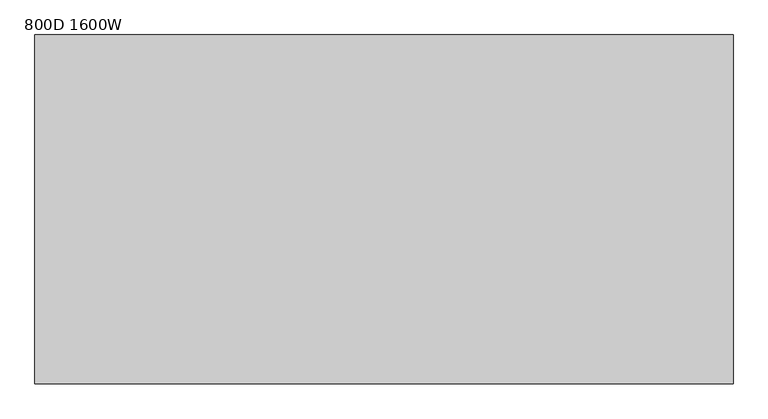
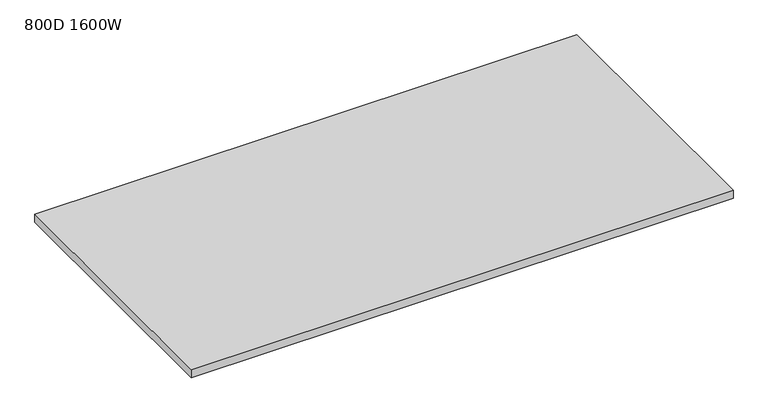
"""IFC4 building model written with IfcOpenShell, lengths in millimetres: furniture geometry, 800D 1600W."""

from ifc_helpers import new_model, si_unit, frame, origin, place, context, project, spatial, polyline, outline, extrude, source, transform, mapped, element, save


def furniture_800d_1600w_fbdaa8da(model_context):
    return source(origin(), model_context, "Body", "SweptSolid", [
        extrude(outline(polyline([(-800.0, 800.0), (800.0, 800.0), (800.0, 0.0), (-800.0, 0.0), (-800.0, 800.0)])), frame((0.0, 0.0, 715.0), z_axis=(0.0, 0.0, 1.0), x_axis=(1.0, 0.0, 0.0)), (0.0, 0.0, 1.0), 25.0),
    ])


if __name__ == "__main__":
    model = new_model("IFC4")
    model_context = context("Model", 3, world=origin())
    ifc_project = project(units=[si_unit("LENGTHUNIT", "METRE", prefix="MILLI")], contexts=[model_context])
    site = spatial("IfcSite", under=ifc_project)
    building = spatial("IfcBuilding", under=site)
    placement = place(None, origin())
    furniture_800d_1600w_shape = furniture_800d_1600w_fbdaa8da(model_context)
    element("IfcFurniture", 1, ObjectType="800D 1600W", at=placement, inside=building, context=model_context, shape_type="MappedRepresentation", body=[
        mapped(furniture_800d_1600w_shape, transform((0.0, 0.0, 0.0), x_axis=(1.0, 0.0, 0.0), y_axis=(0.0, 1.0, 0.0), z_axis=(0.0, 0.0, 1.0))),
    ])
    save(model, "model.ifc")
